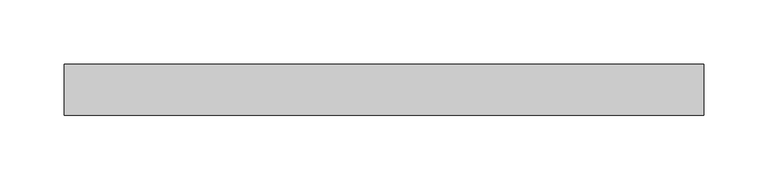
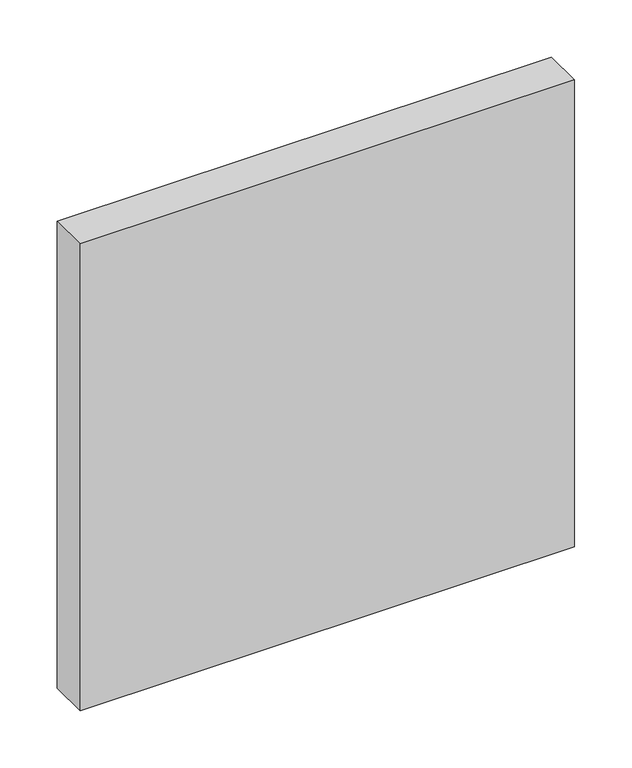
"""IFC4 building model written with IfcOpenShell, lengths in millimetres: plate geometry."""

from ifc_helpers import new_model, si_unit, origin, origin_with_axes, place, context, project, spatial, polyline, outline, extrude, source, transform, mapped, element, save


def plate_9353a1cb(model_context):
    return source(origin(), model_context, "Body", "SweptSolid", [
        extrude(outline(polyline([(249.5000001, -40.0), (-249.5000001, -40.0), (-249.5000001, 0.0), (249.5000001, 0.0), (249.5000001, -40.0)])), origin_with_axes(), (0.0, 0.0, 1.0), 498.0),
    ])


if __name__ == "__main__":
    model = new_model("IFC4")
    model_context = context("Model", 3, world=origin())
    ifc_project = project(units=[si_unit("LENGTHUNIT", "METRE", prefix="MILLI")], contexts=[model_context])
    site = spatial("IfcSite", under=ifc_project)
    building = spatial("IfcBuilding", under=site)
    placement = place(None, origin())
    plate_shape = plate_9353a1cb(model_context)
    element("IfcPlate", 1, at=placement, inside=building, context=model_context, shape_type="MappedRepresentation", body=[
        mapped(plate_shape, transform((0.0, 0.0, 0.0), x_axis=(1.0, 0.0, 0.0), y_axis=(0.0, 1.0, 0.0), z_axis=(0.0, 0.0, 1.0))),
    ])
    save(model, "model.ifc")
